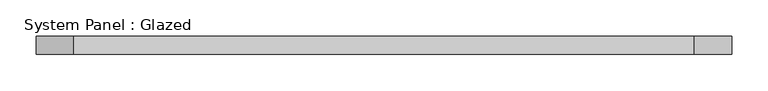
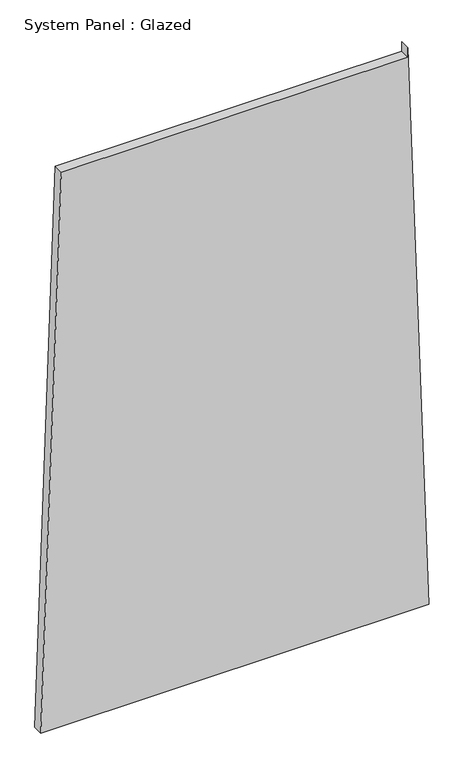
"""IFC4 building model written with IfcOpenShell, lengths in millimetres: plate geometry, System Panel : Glazed."""

from ifc_helpers import new_model, si_unit, frame, origin, place, context, project, spatial, polyline, outline, extrude, source, transform, mapped, element, save


def system_panel_glazed_feeab18d(model_context):
    return source(origin(), model_context, "Body", "SweptSolid", [
        extrude(outline(polyline([(0.0, -480.3256054), (0.0, 480.3256054), (1474.0762643, 428.5600053), (1449.0762643, 428.5600056), (1449.076256, -429.4383668), (0.0, -480.3256054)])), frame((0.0, -49.5, 0.0), z_axis=(0.0, 1.0, 0.0), x_axis=(0.0, 0.0, 1.0)), (0.0, 0.0, 1.0), 25.0),
    ])


if __name__ == "__main__":
    model = new_model("IFC4")
    model_context = context("Model", 3, world=origin())
    ifc_project = project(units=[si_unit("LENGTHUNIT", "METRE", prefix="MILLI")], contexts=[model_context])
    site = spatial("IfcSite", under=ifc_project)
    building = spatial("IfcBuilding", under=site)
    placement = place(None, origin())
    system_panel_glazed_shape = system_panel_glazed_feeab18d(model_context)
    element("IfcPlate", 1, ObjectType="System Panel : Glazed", at=placement, inside=building, context=model_context, shape_type="MappedRepresentation", body=[
        mapped(system_panel_glazed_shape, transform((0.0, 0.0, 0.0), x_axis=(1.0, 0.0, 0.0), y_axis=(0.0, 1.0, 0.0), z_axis=(0.0, 0.0, 1.0))),
    ])
    save(model, "model.ifc")
